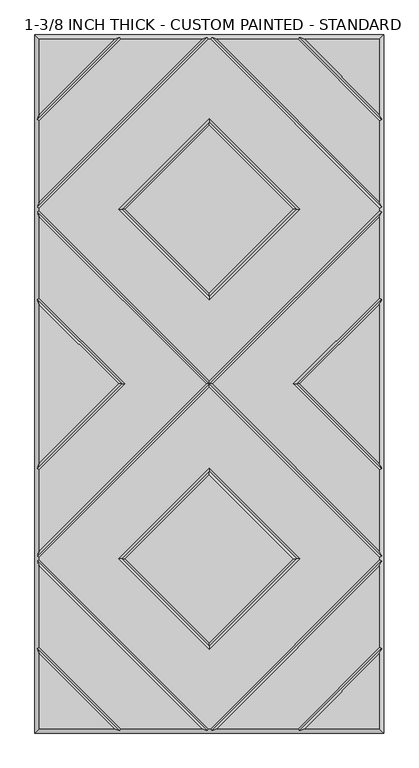
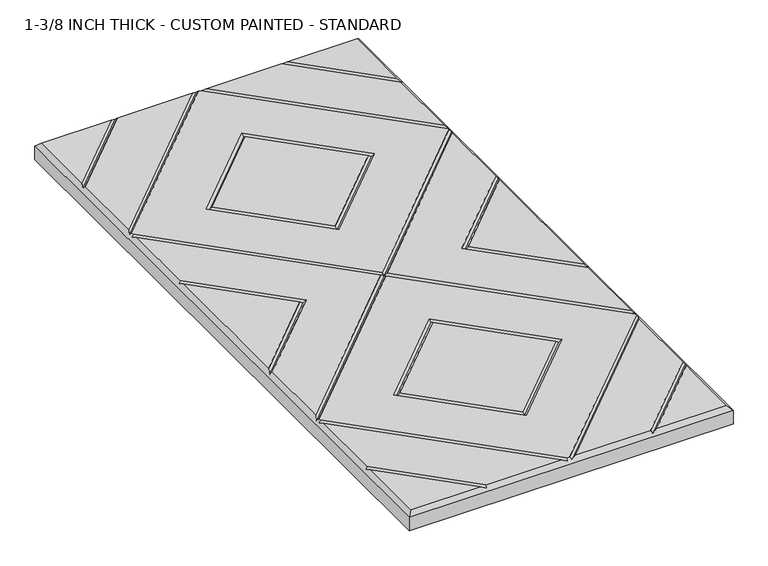
"""IFC4 building model written with IfcOpenShell, lengths in millimetres: proxy geometry, 1-3/8 INCH THICK - CUSTOM PAINTED - STANDARD."""

from ifc_helpers import new_model, si_unit, origin, place, context, project, spatial, faceted_brep, source, transform, mapped, element, save


def proxy_1_3_8_inch_thick_custom_painted_standard_55a44be1(model_context):
    return source(origin(), model_context, "Body", "Brep", [
        faceted_brep([(296.799, 470.8590948, 34.925), (296.799, 601.599, 34.925), (166.0590948, 601.599, 34.925), (-166.0590948, 601.599, 34.925), (-296.799, 601.599, 34.925), (-296.799, 470.8590948, 34.925), (2.3434141, 601.599, 34.925), (-2.343464, 601.599, 34.925), (-296.799, 307.143464, 34.925), (-296.799, 302.4565868, 34.925), (0.0, 5.6575868, 34.925), (296.799, 302.4565868, 34.925), (296.799, 307.1434632, 34.925), (158.0575614, 304.8000254, 34.925), (0.0, 146.742464, 34.925), (-158.0575614, 304.8000254, 34.925), (0.0, 462.8575868, 34.925), (166.0590079, -601.599, 34.925), (296.799, -601.599, 34.925), (296.799, -470.8585721, 34.925), (-296.799, -601.599, 34.925), (-166.0590079, -601.599, 34.925), (-296.799, -470.8585721, 34.925), (-154.743972, 601.599, 34.925), (-296.799, 459.543972, 34.925), (-296.799, 318.4585868, 34.925), (-13.6585868, 601.599, 34.925), (-2.3434382, -601.599, 34.925), (2.3434382, -601.599, 34.925), (296.799, -307.1434137, 34.925), (296.799, -302.456536, 34.925), (0.0, -5.657536, 34.925), (-296.799, -302.456536, 34.925), (-296.799, -307.1434137, 34.925), (-158.0575614, -304.7999746, 34.925), (0.0, -146.7424132, 34.925), (158.0575614, -304.7999746, 34.925), (0.0, -462.857536, 34.925), (13.6585378, 601.599, 34.925), (296.799, 318.458585, 34.925), (296.799, 459.543972, 34.925), (154.743972, 601.599, 34.925), (296.799, -318.4585369, 34.925), (13.6585605, -601.599, 34.925), (154.743904, -601.599, 34.925), (296.799, -459.5434305, 34.925), (-13.6585605, -601.599, 34.925), (-296.799, -318.4585369, 34.925), (-296.799, -459.5434305, 34.925), (-154.743904, -601.599, 34.925), (0.0, 158.0575868, 34.925), (146.7424386, 304.8000254, 34.925), (0.0, 451.542464, 34.925), (-146.7424386, 304.8000254, 34.925), (-296.799, 291.141464, 34.925), (-296.799, 150.0565868, 34.925), (-146.7424386, 2.54e-05, 34.925), (-296.799, -150.056536, 34.925), (-296.799, -291.1414132, 34.925), (-5.6575614, 2.54e-05, 34.925), (-296.799, 138.741464, 34.925), (-296.799, -138.7414132, 34.925), (-158.0575614, 2.54e-05, 34.925), (5.6575614, 2.54e-05, 34.925), (296.799, -291.1414132, 34.925), (296.799, -150.056536, 34.925), (146.7424386, 2.54e-05, 34.925), (296.799, 150.0565868, 34.925), (296.799, 291.141464, 34.925), (296.799, -138.7414132, 34.925), (296.799, 138.741464, 34.925), (158.0575614, 2.54e-05, 34.925), (0.0, -158.057536, 34.925), (-146.7424386, -304.7999746, 34.925), (0.0, -451.5424132, 34.925), (146.7424386, -304.7999746, 34.925), (-304.8, 609.6, 0.0), (304.8, 609.6, 0.0), (304.8, -609.6, 0.0), (-304.8, -609.6, 0.0), (-304.8, -609.6, 26.924), (-304.8, 609.6, 26.924), (304.8, -609.6, 26.924), (304.8, 609.6, 26.924), (-156.4010334, 605.5995, 30.9245), (-4.0005254, 605.5995, 30.9245), (4.0004753, 605.5995, 30.9245), (156.4010334, 605.5995, 30.9245), (-300.7995, -461.2004879, 30.9245), (-300.7995, -308.8004749, 30.9245), (-300.7995, -300.7994746, 30.9245), (-300.7995, -148.3994746, 30.9245), (-300.7995, 148.3995254, 30.9245), (-300.7995, 300.7995254, 30.9245), (-300.7995, 308.8005254, 30.9245), (-300.7995, 461.2010334, 30.9245), (156.4009693, -605.5995, 30.9245), (4.0004997, -605.5995, 30.9245), (-4.0004997, -605.5995, 30.9245), (-156.4009693, -605.5995, 30.9245), (300.7995, 461.2010334, 30.9245), (300.7995, 308.8005247, 30.9245), (300.7995, 300.7995254, 30.9245), (300.7995, 148.3995254, 30.9245), (300.7995, -148.3994746, 30.9245), (300.7995, -300.7994746, 30.9245), (300.7995, -308.8004749, 30.9245), (300.7995, -461.2004879, 30.9245), (0.0, 2.54e-05, 30.9245), (152.4, 304.8000254, 30.9245), (0.0, 152.4000254, 30.9245), (-152.4, 304.8000254, 30.9245), (0.0, 457.2000254, 30.9245), (-152.4, 2.54e-05, 30.9245), (152.4, 2.54e-05, 30.9245), (0.0, -152.3999746, 30.9245), (-152.4, -304.7999746, 30.9245), (0.0, -457.1999746, 30.9245), (152.4, -304.7999746, 30.9245)], [[[0, 1, 2]], [[3, 4, 5]], [[6, 7, 8, 9, 10, 11, 12], [13, 14, 15, 16]], [[17, 18, 19]], [[20, 21, 22]], [[23, 24, 25, 26]], [[27, 28, 29, 30, 31, 32, 33], [34, 35, 36, 37]], [[38, 39, 40, 41]], [[42, 43, 44, 45]], [[46, 47, 48, 49]], [[50, 51, 52, 53]], [[54, 55, 56, 57, 58, 59]], [[60, 61, 62]], [[63, 64, 65, 66, 67, 68]], [[69, 70, 71]], [[72, 73, 74, 75]], [[76, 77, 78, 79]], [[76, 79, 80, 81]], [[79, 78, 82, 80]], [[78, 77, 83, 82]], [[77, 76, 81, 83]], [[81, 4, 3, 84, 23, 26, 85, 7, 6, 86, 38, 41, 87, 2, 1, 83]], [[4, 81, 80, 20, 22, 88, 48, 47, 89, 33, 32, 90, 58, 57, 91, 61, 60, 92, 55, 54, 93, 9, 8, 94, 25, 24, 95, 5]], [[20, 80, 82, 18, 17, 96, 44, 43, 97, 28, 27, 98, 46, 49, 99, 21]], [[83, 1, 0, 100, 40, 39, 101, 12, 11, 102, 68, 67, 103, 70, 69, 104, 65, 64, 105, 30, 29, 106, 42, 45, 107, 19, 18, 82]], [[84, 95, 24, 23]], [[95, 84, 3, 5]], [[101, 86, 6, 12]], [[86, 101, 39, 38]], [[85, 94, 8, 7]], [[94, 85, 26, 25]], [[9, 93, 108, 10]], [[105, 64, 63, 108]], [[93, 54, 59, 108]], [[30, 105, 108, 31]], [[106, 97, 43, 42]], [[97, 106, 29, 28]], [[98, 89, 47, 46]], [[89, 98, 27, 33]], [[109, 110, 14, 13]], [[110, 109, 51, 50]], [[14, 110, 111, 15]], [[110, 50, 53, 111]], [[15, 111, 112, 16]], [[111, 53, 52, 112]], [[109, 13, 16, 112]], [[51, 109, 112, 52]], [[87, 100, 0, 2]], [[100, 87, 41, 40]], [[113, 56, 55, 92]], [[62, 113, 92, 60]], [[56, 113, 91, 57]], [[113, 62, 61, 91]], [[90, 108, 59, 58]], [[108, 102, 11, 10]], [[108, 90, 32, 31]], [[102, 108, 63, 68]], [[114, 71, 70, 103]], [[66, 114, 103, 67]], [[71, 114, 104, 69]], [[114, 66, 65, 104]], [[115, 116, 73, 72]], [[116, 115, 35, 34]], [[73, 116, 117, 74]], [[116, 34, 37, 117]], [[74, 117, 118, 75]], [[117, 37, 36, 118]], [[115, 72, 75, 118]], [[35, 115, 118, 36]], [[88, 99, 49, 48]], [[99, 88, 22, 21]], [[107, 96, 17, 19]], [[96, 107, 45, 44]]]),
    ])


if __name__ == "__main__":
    model = new_model("IFC4")
    model_context = context("Model", 3, world=origin())
    ifc_project = project(units=[si_unit("LENGTHUNIT", "METRE", prefix="MILLI")], contexts=[model_context])
    site = spatial("IfcSite", under=ifc_project)
    building = spatial("IfcBuilding", under=site)
    placement = place(None, origin())
    proxy_1_3_8_inch_thick_custom_painted_standard_shape = proxy_1_3_8_inch_thick_custom_painted_standard_55a44be1(model_context)
    element("IfcBuildingElementProxy", 1, Name="1-3/8 INCH THICK - CUSTOM PAINTED - STANDARD", ObjectType="1-3/8 INCH THICK - CUSTOM PAINTED - STANDARD", at=placement, inside=building, context=model_context, shape_type="MappedRepresentation", body=[
        mapped(proxy_1_3_8_inch_thick_custom_painted_standard_shape, transform((0.0, 0.0, 0.0), x_axis=(1.0, 0.0, 0.0), y_axis=(0.0, 1.0, 0.0), z_axis=(0.0, 0.0, 1.0))),
    ])
    save(model, "model.ifc")
